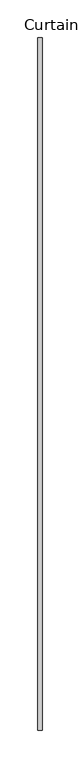
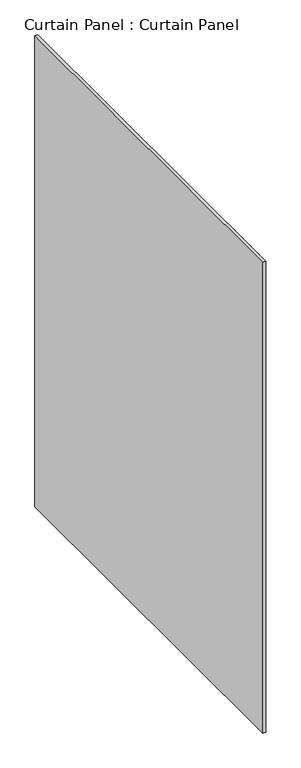
"""IFC4 building model written with IfcOpenShell, lengths in millimetres: plate geometry, Curtain Panel : Curtain Panel."""

from ifc_helpers import new_model, si_unit, frame, origin, place, context, project, spatial, polyline, outline, extrude, source, transform, mapped, element, save


def curtain_panel_curtain_panel_76ce4975(model_context):
    return source(origin(), model_context, "Body", "SweptSolid", [
        extrude(outline(polyline([(-34596.2104182, 4077.9402268), (-34596.2104182, 3155.8070152), (-34602.5604182, 3155.8070152), (-34602.5604182, 4077.9402268), (-34596.2104182, 4077.9402268)])), frame((0.0, 0.0, 2454.3701455), z_axis=(0.0, 0.0, 1.0), x_axis=(1.0, 0.0, 0.0)), (0.0, 0.0, 1.0), 1161.9548545),
    ])


if __name__ == "__main__":
    model = new_model("IFC4")
    model_context = context("Model", 3, world=origin())
    ifc_project = project(units=[si_unit("LENGTHUNIT", "METRE", prefix="MILLI")], contexts=[model_context])
    site = spatial("IfcSite", under=ifc_project)
    building = spatial("IfcBuilding", under=site)
    placement = place(None, origin())
    curtain_panel_curtain_panel_shape = curtain_panel_curtain_panel_76ce4975(model_context)
    element("IfcPlate", 1, ObjectType="Curtain Panel : Curtain Panel", at=placement, inside=building, context=model_context, shape_type="MappedRepresentation", body=[
        mapped(curtain_panel_curtain_panel_shape, transform((0.0, 0.0, 0.0), x_axis=(1.0, 0.0, 0.0), y_axis=(0.0, 1.0, 0.0), z_axis=(0.0, 0.0, 1.0))),
    ])
    save(model, "model.ifc")
